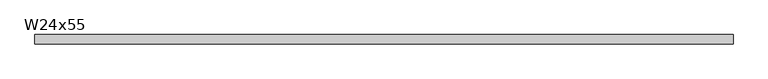
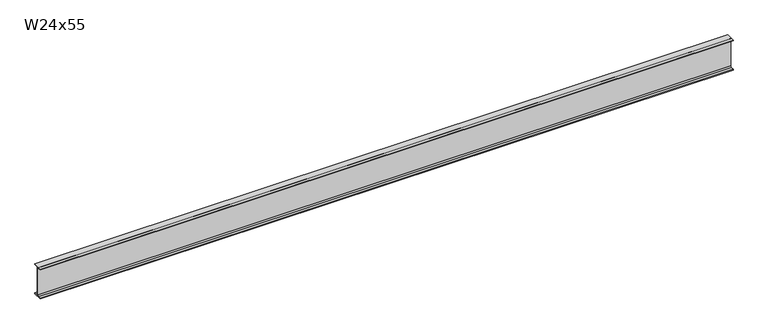
"""IFC4 building model written with IfcOpenShell, lengths in millimetres: beam geometry, W24x55."""

from ifc_helpers import new_model, si_unit, point, frame, frame_2d, origin, place, context, project, spatial, polyline, circle_curve, trimmed, segment, composite_curve, outline, extrude, source, transform, mapped, element, save


def w24x55_49919b41(model_context):
    return source(origin(), model_context, "Body", "SweptSolid", [
        extrude(outline(composite_curve([segment(polyline([(89.027, -286.893), (89.027, -299.72), (-89.027, -299.72), (-89.027, -286.893), (-28.702, -286.893)]), True, "CONTINUOUS"), segment(trimmed(circle_curve(frame_2d((-28.702, -263.2075)), 23.6855), [point((-28.702, -286.893))], [point((-5.0165, -263.2075))], True, "CARTESIAN"), True, "CONTINUOUS"), segment(polyline([(-5.0165, -263.2075), (-5.0165, 263.2075)]), True, "CONTINUOUS"), segment(trimmed(circle_curve(frame_2d((-28.702, 263.2075)), 23.6855), [point((-5.0165, 263.2075))], [point((-28.702, 286.893))], True, "CARTESIAN"), True, "CONTINUOUS"), segment(polyline([(-28.702, 286.893), (-89.027, 286.893), (-89.027, 299.72), (89.027, 299.72), (89.027, 286.893), (28.702, 286.893)]), True, "CONTINUOUS"), segment(trimmed(circle_curve(frame_2d((28.702, 263.2075)), 23.6855), [point((28.702, 286.893))], [point((5.0165, 263.2075))], True, "CARTESIAN"), True, "CONTINUOUS"), segment(polyline([(5.0165, 263.2075), (5.0165, -263.2075)]), True, "CONTINUOUS"), segment(trimmed(circle_curve(frame_2d((28.702, -263.2075)), 23.6855), [point((5.0165, -263.2075))], [point((28.702, -286.893))], True, "CARTESIAN"), True, "CONTINUOUS"), segment(polyline([(28.702, -286.893), (89.027, -286.893)]), True, "CONTINUOUS")], self_intersect=False)), frame((-6505.2656571, 0.0, 0.0), z_axis=(1.0, 0.0, 0.0), x_axis=(0.0, 1.0, 0.0)), (0.0, 0.0, 1.0), 13187.203834),
    ])


if __name__ == "__main__":
    model = new_model("IFC4")
    model_context = context("Model", 3, world=origin())
    ifc_project = project(units=[si_unit("LENGTHUNIT", "METRE", prefix="MILLI")], contexts=[model_context])
    site = spatial("IfcSite", under=ifc_project)
    building = spatial("IfcBuilding", under=site)
    placement = place(None, origin())
    w24x55_shape = w24x55_49919b41(model_context)
    element("IfcBeam", 1, ObjectType="W24x55", at=placement, inside=building, context=model_context, shape_type="MappedRepresentation", body=[
        mapped(w24x55_shape, transform((0.0, 0.0, 0.0), x_axis=(1.0, 0.0, 0.0), y_axis=(0.0, 1.0, 0.0), z_axis=(0.0, 0.0, 1.0))),
    ])
    save(model, "model.ifc")
